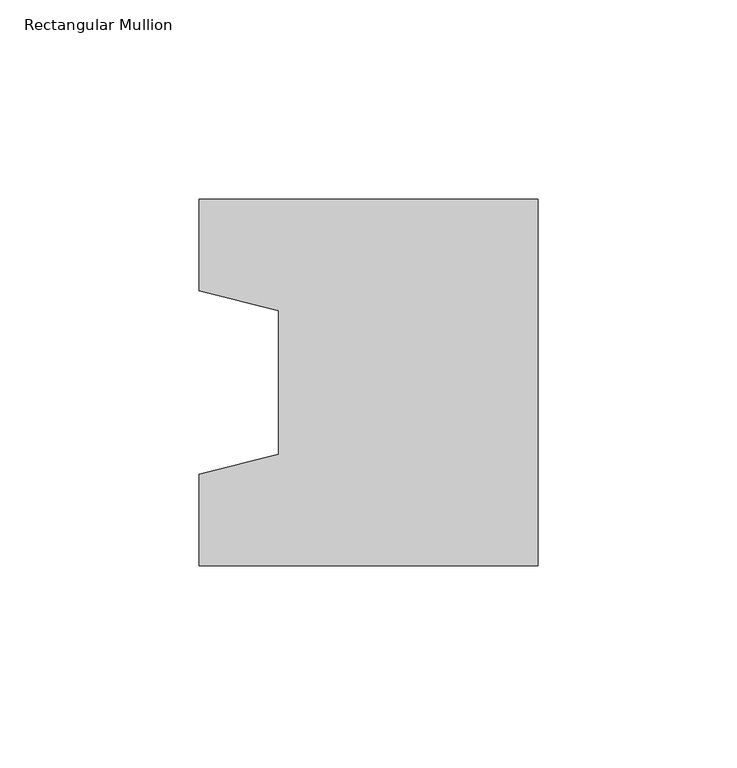
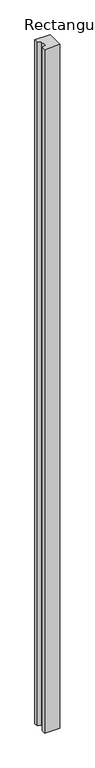
"""IFC4 building model written with IfcOpenShell, lengths in millimetres: column geometry, Rectangular Mullion."""

import ifcopenshell
import ifcopenshell.guid

model = None  # the IFC model being written
_history = None  # IfcOwnerHistory: only IFC2X3 demands one
_inside = {}  # id of a spatial element -> (the spatial element, [elements in it])
_under = {}  # id of a project, library or spatial element -> (it, [spatial elements below it])
_declared = {}  # id of a project -> (the project, [libraries it declares])
_typed = {}  # id of a type object -> (the type object, [elements of that type])
_made_of = {}  # id of a material, layer set ... -> (it, [elements and type objects made of it])


def new_model(schema):
    """Start an empty IFC model of exactly this schema.

    Asked for "IFC4X3", IfcOpenShell would pick the latest addendum, in which some entities
    have other attributes; the version numbers below select the first issue.
    IFC2X3 requires an IfcOwnerHistory on every rooted entity: one is made here for all.
    """
    global model, _history
    if schema == "IFC4X3":
        model = ifcopenshell.file(schema_version=(4, 3, 0, 0))
    else:
        model = ifcopenshell.file(schema=schema)
    _inside.clear()
    _under.clear()
    _declared.clear()
    _typed.clear()
    _made_of.clear()
    _history = None
    if model.schema == "IFC2X3":
        org = make("IfcOrganization", Name="unknown")
        user = make(
            "IfcPersonAndOrganization",
            ThePerson=make("IfcPerson", FamilyName="unknown"),
            TheOrganization=org,
        )
        app = make(
            "IfcApplication",
            ApplicationDeveloper=org,
            Version="unknown",
            ApplicationFullName="unknown",
            ApplicationIdentifier="unknown",
        )
        _history = make(
            "IfcOwnerHistory",
            OwningUser=user,
            OwningApplication=app,
            ChangeAction="ADDED",
            CreationDate=0,
        )
    return model


def make(cls, **values):
    """One entity of the class cls with the attributes given. An attribute that is None is left unset."""
    return model.create_entity(
        cls, **{name: value for name, value in values.items() if value is not None}
    )


def rooted(cls, **values):
    """An entity with a GlobalId (a new one), such as an element, a storey or a relation."""
    return make(cls, GlobalId=ifcopenshell.guid.new(), OwnerHistory=_history, **values)


def si_unit(unit_type, name, prefix=None):
    """IfcSIUnit, for example si_unit("LENGTHUNIT", "METRE", prefix="MILLI")."""
    return make("IfcSIUnit", UnitType=unit_type, Prefix=prefix, Name=name)


def assignment(units):
    """IfcUnitAssignment: the units of a project."""
    return None if units is None else make("IfcUnitAssignment", Units=units)


def point(xyz):
    """IfcCartesianPoint."""
    return None if xyz is None else make("IfcCartesianPoint", Coordinates=xyz)


def direction(xyz):
    """IfcDirection."""
    return None if xyz is None else make("IfcDirection", DirectionRatios=xyz)


def frame(location, z_axis=None, x_axis=None):
    """IfcAxis2Placement3D, a coordinate frame: its origin and axes. An axis left out is left unset."""
    return make(
        "IfcAxis2Placement3D",
        Location=point(location),
        Axis=direction(z_axis),
        RefDirection=direction(x_axis),
    )


def origin():
    """The frame at (0, 0, 0) with its axes left unset."""
    return frame((0.0, 0.0, 0.0))


def place(relative_to, where):
    """IfcLocalPlacement: puts the frame where relative to a parent placement (None: the world)."""
    return make(
        "IfcLocalPlacement", PlacementRelTo=relative_to, RelativePlacement=where
    )


def context(
    kind, dimensions, precision=None, world=None, true_north=None, identifier=None
):
    """IfcGeometricRepresentationContext, for example the 3D "Model" context."""
    return make(
        "IfcGeometricRepresentationContext",
        ContextIdentifier=identifier,
        ContextType=kind,
        CoordinateSpaceDimension=dimensions,
        Precision=precision,
        WorldCoordinateSystem=world,
        TrueNorth=true_north,
    )


def project(units=None, contexts=None):
    """IfcProject with its units and contexts."""
    return rooted(
        "IfcProject",
        Name="project",
        RepresentationContexts=contexts,
        UnitsInContext=assignment(units),
    )


def spatial(cls, under=None, at=None, **own):
    """A site, building, storey or space (cls), placed at a placement, below another one or the project."""
    s = rooted(cls, ObjectPlacement=at, **own)
    if under is not None:
        _under.setdefault(under.id(), (under, []))[1].append(s)
    return s


def polyline(points):
    """IfcPolyline through the points."""
    return make("IfcPolyline", Points=[point(p) for p in points])


def outline(outer, holes=None, kind="AREA"):
    """IfcArbitraryClosedProfileDef: a profile drawn as a closed curve; with holes, ...WithVoids."""
    if holes is None:
        return make("IfcArbitraryClosedProfileDef", ProfileType=kind, OuterCurve=outer)
    return make(
        "IfcArbitraryProfileDefWithVoids",
        ProfileType=kind,
        OuterCurve=outer,
        InnerCurves=holes,
    )


def extrude(swept, where, along, depth):
    """IfcExtrudedAreaSolid: the profile swept, set in the frame where, extruded along a direction by depth."""
    return make(
        "IfcExtrudedAreaSolid",
        SweptArea=swept,
        Position=where,
        ExtrudedDirection=direction(along),
        Depth=depth,
    )


def shape(context_of_items, identifier, shape_type, items):
    """IfcShapeRepresentation: the items that make up one representation, for example the "Body"."""
    return make(
        "IfcShapeRepresentation",
        ContextOfItems=context_of_items,
        RepresentationIdentifier=identifier,
        RepresentationType=shape_type,
        Items=items,
    )


def source(mapping_origin, context_of_items, identifier, shape_type, items):
    """IfcRepresentationMap: a shape defined once, which mapped items show again and again."""
    return make(
        "IfcRepresentationMap",
        MappingOrigin=mapping_origin,
        MappedRepresentation=shape(context_of_items, identifier, shape_type, items),
    )


def transform(
    local_origin,
    x_axis=None,
    y_axis=None,
    z_axis=None,
    scale=None,
    scale2=None,
    scale3=None,
    uniform=True,
):
    """IfcCartesianTransformationOperator3D, or its non-uniform kind. x_axis, y_axis, z_axis: its Axis1, 2, 3."""
    if uniform:
        return make(
            "IfcCartesianTransformationOperator3D",
            Axis1=direction(x_axis),
            Axis2=direction(y_axis),
            LocalOrigin=point(local_origin),
            Scale=scale,
            Axis3=direction(z_axis),
        )
    return make(
        "IfcCartesianTransformationOperator3DnonUniform",
        Axis1=direction(x_axis),
        Axis2=direction(y_axis),
        LocalOrigin=point(local_origin),
        Scale=scale,
        Axis3=direction(z_axis),
        Scale2=scale2,
        Scale3=scale3,
    )


def mapped(mapping_source, mapping_target):
    """IfcMappedItem: shows the shape of a source again, moved by a transform."""
    return make(
        "IfcMappedItem", MappingSource=mapping_source, MappingTarget=mapping_target
    )


def made_of(thing, what):
    """Note that an element or type object is made of a material, layer set ...; save() writes the relation."""
    if what is not None:
        _made_of.setdefault(what.id(), (what, []))[1].append(thing)
    return thing


def element(
    cls,
    number,
    at=None,
    inside=None,
    cuts=None,
    type_object=None,
    material=None,
    context=None,
    identifier="Body",
    shape_type=None,
    held_by="IfcProductDefinitionShape",
    body=None,
    shapes=None,
    **own,
):
    """One element of the class cls, such as IfcWall. Its Tag is "e" and its number.

    at: its placement. inside: the storey or other place that contains it. cuts: it is an
    opening in that element (IfcRelVoidsElement). A single representation is given by context,
    identifier, shape_type and body (its items); several are given by shapes. held_by: the class
    of the entity that holds the representations. save() writes the other relations.
    """
    e = rooted(cls, Tag="e%d" % number, ObjectPlacement=at, **own)
    if body is not None:
        shapes = [shape(context, identifier, shape_type, body)]
    if shapes is not None:
        e.Representation = make(held_by, Representations=shapes)
    if inside is not None:
        _inside.setdefault(inside.id(), (inside, []))[1].append(e)
    if cuts is not None:
        rooted(
            "IfcRelVoidsElement", RelatingBuildingElement=cuts, RelatedOpeningElement=e
        )
    if type_object is not None:
        _typed.setdefault(type_object.id(), (type_object, []))[1].append(e)
    return made_of(e, material)


def aggregate(whole, parts):
    """IfcRelAggregates: a whole, such as a stair, and the parts it consists of."""
    return rooted("IfcRelAggregates", RelatingObject=whole, RelatedObjects=parts)


def save(model, path):
    """Write the relations noted so far, then the file.

    IfcRelAggregates (storeys below a building ...), IfcRelContainedInSpatialStructure (elements
    in a storey), IfcRelDefinesByType, IfcRelAssociatesMaterial and IfcRelDeclares: one each for
    every whole, place, type object, material and project.
    """
    for whole, parts in _under.values():
        aggregate(whole, parts)
    for where, things in _inside.values():
        rooted(
            "IfcRelContainedInSpatialStructure",
            RelatedElements=things,
            RelatingStructure=where,
        )
    for kind, things in _typed.values():
        rooted("IfcRelDefinesByType", RelatedObjects=things, RelatingType=kind)
    for what, things in _made_of.values():
        rooted("IfcRelAssociatesMaterial", RelatedObjects=things, RelatingMaterial=what)
    for by, libraries in _declared.values():
        rooted("IfcRelDeclares", RelatingContext=by, RelatedDefinitions=libraries)
    model.write(path)


def rectangular_mullion_29a668d2(model_context):
    return source(origin(), model_context, "Body", "SweptSolid", [
        extrude(outline(polyline([(-85.0, -46.0), (-85.0, -23.0), (-65.0, -18.0), (-65.0, 18.0), (-85.0, 23.0), (-85.0, 46.0), (0.0, 46.0), (0.0, -46.0), (-85.0, -46.0)])), frame((0.0, 0.0, -4000.0), z_axis=(0.0, 0.0, 1.0), x_axis=(1.0, 0.0, 0.0)), (0.0, 0.0, 1.0), 4000.0),
    ])


if __name__ == "__main__":
    model = new_model("IFC4")
    model_context = context("Model", 3, world=origin())
    ifc_project = project(units=[si_unit("LENGTHUNIT", "METRE", prefix="MILLI")], contexts=[model_context])
    site = spatial("IfcSite", under=ifc_project)
    building = spatial("IfcBuilding", under=site)
    placement = place(None, origin())
    rectangular_mullion_shape = rectangular_mullion_29a668d2(model_context)
    element("IfcColumn", 1, ObjectType="Rectangular Mullion", at=placement, inside=building, context=model_context, shape_type="MappedRepresentation", body=[
        mapped(rectangular_mullion_shape, transform((0.0, 0.0, 0.0), x_axis=(1.0, 0.0, 0.0), y_axis=(0.0, 1.0, 0.0), z_axis=(0.0, 0.0, 1.0))),
    ])
    save(model, "model.ifc")
